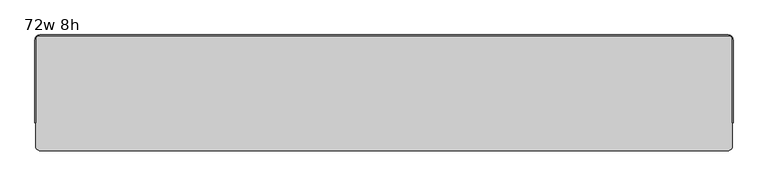
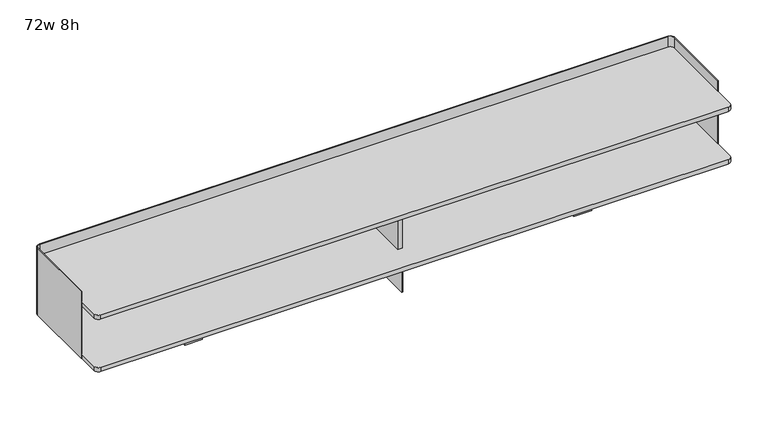
"""IFC4 building model written with IfcOpenShell, lengths in millimetres: furniture geometry, 72w 8h."""

from ifc_helpers import new_model, si_unit, point, frame, frame_2d, origin, place, context, project, spatial, polyline, circle_curve, trimmed, segment, composite_curve, outline, extrude, source, transform, mapped, element, save
from ifc_brep_helpers import plane_surface, cylinder_surface, revolved_surface, advanced_brep


def furniture_72w_8h_502b2b83(model_context):
    return source(origin(), model_context, "Body", "SolidModel", [
        extrude(outline(polyline([(6.35, 493.7125), (6.35, 265.1125), (-6.35, 265.1125), (-6.35, 493.7125), (6.35, 493.7125)])), frame((0.0, 0.0, 860.4250242), z_axis=(0.0, 0.0, 1.0), x_axis=(1.0, 0.0, 0.0)), (0.0, 0.0, 1.0), 146.637343),
        advanced_brep(
        [(-912.8125, 482.6, 1050.925), (-901.7, 493.7125, 1050.925), (901.7, 493.7125, 1050.925), (912.8125, 482.6, 1050.925), (912.8125, 265.1125, 1050.925), (914.4, 265.1125, 1050.925), (914.4, 482.6, 1050.925), (901.7, 495.3, 1050.925), (-901.7, 495.3, 1050.925), (-914.4, 482.6, 1050.925), (-914.4, 265.1125, 1050.925), (-912.8125, 265.1125, 1050.925), (-912.8125, 482.6, 847.725), (-912.8125, 265.1125, 847.725), (-914.4, 265.1125, 847.725), (-914.4, 482.6, 847.725), (-901.7, 495.3, 847.725), (901.7, 495.3, 847.725), (914.4, 482.6, 847.725), (914.4, 265.1125, 847.725), (912.8125, 265.1125, 847.725), (912.8125, 482.6, 847.725), (901.7, 493.7125, 847.725), (-901.7, 493.7125, 847.725), (880.3639961, 493.7125, 902.4144186), (880.3639961, 493.7125, 894.1593992), (372.3639961, 493.7125, 894.1593992), (372.3639961, 493.7125, 902.4144186), (880.3639961, 493.7125, 1004.0143944), (880.3639961, 493.7125, 995.759375), (372.3639961, 493.7125, 995.759375), (372.3639961, 493.7125, 1004.0143944), (880.3639961, 493.7125, 953.2144065), (880.3639961, 493.7125, 944.9593871), (372.3639961, 493.7125, 944.9593871), (372.3639961, 493.7125, 953.2144065), (-880.3639961, 493.7125, 894.1593992), (-880.3639961, 493.7125, 902.4144186), (-372.3639961, 493.7125, 902.4144186), (-372.3639961, 493.7125, 894.1593992), (-880.3639961, 493.7125, 995.759375), (-880.3639961, 493.7125, 1004.0143944), (-372.3639961, 493.7125, 1004.0143944), (-372.3639961, 493.7125, 995.759375), (-880.3639961, 493.7125, 944.9593871), (-880.3639961, 493.7125, 953.2144065), (-372.3639961, 493.7125, 953.2144065), (-372.3639961, 493.7125, 944.9593871), (880.3639961, 495.3, 894.1593992), (880.3639961, 495.3, 902.4144186), (372.3639961, 495.3, 902.4144186), (372.3639961, 495.3, 894.1593992), (880.3639961, 495.3, 995.759375), (880.3639961, 495.3, 1004.0143944), (372.3639961, 495.3, 1004.0143944), (372.3639961, 495.3, 995.759375), (880.3639961, 495.3, 944.9593871), (880.3639961, 495.3, 953.2144065), (372.3639961, 495.3, 953.2144065), (372.3639961, 495.3, 944.9593871), (-880.3639961, 495.3, 902.4144186), (-880.3639961, 495.3, 894.1593992), (-372.3639961, 495.3, 894.1593992), (-372.3639961, 495.3, 902.4144186), (-880.3639961, 495.3, 1004.0143944), (-880.3639961, 495.3, 995.759375), (-372.3639961, 495.3, 995.759375), (-372.3639961, 495.3, 1004.0143944), (-880.3639961, 495.3, 953.2144065), (-880.3639961, 495.3, 944.9593871), (-372.3639961, 495.3, 944.9593871), (-372.3639961, 495.3, 953.2144065)],
        [
            (0, 1, circle_curve(frame((-901.7, 482.6, 1050.925), z_axis=(0.0, 0.0, -1.0), x_axis=(1.0, 0.0, 0.0)), 11.1125)),
            (1, 2),
            (2, 3, circle_curve(frame((901.7, 482.6, 1050.925), z_axis=(0.0, 0.0, -1.0), x_axis=(1.0, 0.0, 0.0)), 11.1125)),
            (3, 4),
            (4, 5),
            (5, 6),
            (6, 7, circle_curve(frame((901.7, 482.6, 1050.925), z_axis=(0.0, 0.0, 1.0), x_axis=(1.0, 0.0, 0.0)), 12.7)),
            (7, 8),
            (8, 9, circle_curve(frame((-901.7, 482.6, 1050.925), z_axis=(0.0, 0.0, 1.0), x_axis=(1.0, 0.0, 0.0)), 12.7)),
            (9, 10),
            (10, 11),
            (11, 0),
            (12, 13),
            (13, 14),
            (14, 15),
            (15, 16, circle_curve(frame((-901.7, 482.6, 847.725), z_axis=(0.0, 0.0, -1.0), x_axis=(1.0, 0.0, 0.0)), 12.7)),
            (16, 17),
            (17, 18, circle_curve(frame((901.7, 482.6, 847.725), z_axis=(0.0, 0.0, -1.0), x_axis=(1.0, 0.0, 0.0)), 12.7)),
            (18, 19),
            (19, 20),
            (20, 21),
            (21, 22, circle_curve(frame((901.7, 482.6, 847.725), z_axis=(0.0, 0.0, 1.0), x_axis=(1.0, 0.0, 0.0)), 11.1125)),
            (22, 23),
            (23, 12, circle_curve(frame((-901.7, 482.6, 847.725), z_axis=(0.0, 0.0, 1.0), x_axis=(1.0, 0.0, 0.0)), 11.1125)),
            (0, 12),
            (23, 1),
            (22, 2),
            (24, 25),
            (25, 26),
            (26, 27),
            (27, 24),
            (28, 29),
            (29, 30),
            (30, 31),
            (31, 28),
            (32, 33),
            (33, 34),
            (34, 35),
            (35, 32),
            (36, 37),
            (37, 38),
            (38, 39),
            (39, 36),
            (40, 41),
            (41, 42),
            (42, 43),
            (43, 40),
            (44, 45),
            (45, 46),
            (46, 47),
            (47, 44),
            (7, 17),
            (16, 8),
            (48, 49),
            (49, 50),
            (50, 51),
            (51, 48),
            (52, 53),
            (53, 54),
            (54, 55),
            (55, 52),
            (56, 57),
            (57, 58),
            (58, 59),
            (59, 56),
            (60, 61),
            (61, 62),
            (62, 63),
            (63, 60),
            (64, 65),
            (65, 66),
            (66, 67),
            (67, 64),
            (68, 69),
            (69, 70),
            (70, 71),
            (71, 68),
            (15, 9),
            (14, 10),
            (13, 11),
            (21, 3),
            (20, 4),
            (19, 5),
            (18, 6),
            (24, 49),
            (48, 25),
            (51, 26),
            (50, 27),
            (28, 53),
            (52, 29),
            (55, 30),
            (54, 31),
            (32, 57),
            (56, 33),
            (59, 34),
            (58, 35),
            (36, 61),
            (60, 37),
            (39, 62),
            (38, 63),
            (40, 65),
            (64, 41),
            (43, 66),
            (42, 67),
            (44, 69),
            (68, 45),
            (47, 70),
            (46, 71),
        ],
        [
            plane_surface(frame((-890.5875, 482.6, 1050.925), z_axis=(0.0, 0.0, 1.0), x_axis=(0.0, -1.0, 0.0))),
            plane_surface(frame((-890.5875, 482.6, 847.725), z_axis=(0.0, 0.0, -1.0), x_axis=(0.0, 1.0, 0.0))),
            revolved_surface(polyline([(-890.5875000000001, 482.6, 847.725), (-890.5875000000001, 482.6, 1050.925)]), (-901.7, 482.6, 847.725), (0.0, 0.0, -1.0)),
            plane_surface(frame((-901.7, 493.7125, 1050.925), z_axis=(0.0, -1.0, 0.0), x_axis=(0.0, 0.0, -1.0))),
            plane_surface(frame((901.7, 495.3, 1050.925), z_axis=(0.0, 1.0, 0.0), x_axis=(0.0, 0.0, -1.0))),
            cylinder_surface(frame((-901.7, 482.6, 847.725), z_axis=(0.0, 0.0, 1.0), x_axis=(1.0, 0.0, 0.0)), 12.7),
            plane_surface(frame((-914.4, 482.6, 1050.925), z_axis=(-1.0, 0.0, 0.0), x_axis=(0.0, 0.0, -1.0))),
            plane_surface(frame((-914.4, 265.1125, 1050.925), z_axis=(0.0, -1.0, 0.0), x_axis=(0.0, 0.0, -1.0))),
            plane_surface(frame((-912.8125, 265.1125, 1050.925), z_axis=(1.0, 0.0, 0.0), x_axis=(0.0, 0.0, -1.0))),
            revolved_surface(polyline([(912.8125, 482.6, 847.725), (912.8125, 482.6, 1050.925)]), (901.7, 482.6, 847.725), (0.0, 0.0, -1.0)),
            plane_surface(frame((912.8125, 482.6, 1050.925), z_axis=(-1.0, 0.0, 0.0), x_axis=(0.0, 0.0, -1.0))),
            plane_surface(frame((912.8125, 265.1125, 1050.925), z_axis=(0.0, -1.0, 0.0), x_axis=(0.0, 0.0, -1.0))),
            plane_surface(frame((914.4, 265.1125, 1050.925), z_axis=(1.0, 0.0, 0.0), x_axis=(0.0, 0.0, -1.0))),
            cylinder_surface(frame((901.7, 482.6, 847.725), z_axis=(0.0, 0.0, 1.0), x_axis=(1.0, 0.0, 0.0)), 12.7),
            plane_surface(frame((880.3639961, 553.8218239, 902.4144186), z_axis=(-1.0, 0.0, 0.0), x_axis=(0.0, -1.0, 0.0))),
            plane_surface(frame((880.3639961, 553.8218239, 894.1593992), z_axis=(0.0, 0.0, 1.0), x_axis=(0.0, -1.0, 0.0))),
            plane_surface(frame((372.3639961, 553.8218239, 894.1593992), z_axis=(1.0, 0.0, 0.0), x_axis=(0.0, -1.0, 0.0))),
            plane_surface(frame((372.3639961, 553.8218239, 902.4144186), z_axis=(0.0, 0.0, -1.0), x_axis=(0.0, -1.0, 0.0))),
            plane_surface(frame((880.3639961, 553.8218239, 1004.0143944), z_axis=(-1.0, 0.0, 0.0), x_axis=(0.0, -1.0, 0.0))),
            plane_surface(frame((880.3639961, 553.8218239, 995.759375), z_axis=(0.0, 0.0, 1.0), x_axis=(0.0, -1.0, 0.0))),
            plane_surface(frame((372.3639961, 553.8218239, 995.759375), z_axis=(1.0, 0.0, 0.0), x_axis=(0.0, -1.0, 0.0))),
            plane_surface(frame((372.3639961, 553.8218239, 1004.0143944), z_axis=(0.0, 0.0, -1.0), x_axis=(0.0, -1.0, 0.0))),
            plane_surface(frame((880.3639961, 553.8218239, 953.2144065), z_axis=(-1.0, 0.0, 0.0), x_axis=(0.0, -1.0, 0.0))),
            plane_surface(frame((880.3639961, 553.8218239, 944.9593871), z_axis=(0.0, 0.0, 1.0), x_axis=(0.0, -1.0, 0.0))),
            plane_surface(frame((372.3639961, 553.8218239, 944.9593871), z_axis=(1.0, 0.0, 0.0), x_axis=(0.0, -1.0, 0.0))),
            plane_surface(frame((372.3639961, 553.8218239, 953.2144065), z_axis=(0.0, 0.0, -1.0), x_axis=(0.0, -1.0, 0.0))),
            plane_surface(frame((-880.3639961, 553.8218239, 894.1593992), z_axis=(1.0, 0.0, 0.0), x_axis=(0.0, -1.0, 0.0))),
            plane_surface(frame((-372.3639961, 553.8218239, 894.1593992), z_axis=(0.0, 0.0, 1.0), x_axis=(0.0, -1.0, 0.0))),
            plane_surface(frame((-372.3639961, 553.8218239, 902.4144186), z_axis=(-1.0, 0.0, 0.0), x_axis=(0.0, -1.0, 0.0))),
            plane_surface(frame((-880.3639961, 553.8218239, 902.4144186), z_axis=(0.0, 0.0, -1.0), x_axis=(0.0, -1.0, 0.0))),
            plane_surface(frame((-880.3639961, 553.8218239, 995.759375), z_axis=(1.0, 0.0, 0.0), x_axis=(0.0, -1.0, 0.0))),
            plane_surface(frame((-372.3639961, 553.8218239, 995.759375), z_axis=(0.0, 0.0, 1.0), x_axis=(0.0, -1.0, 0.0))),
            plane_surface(frame((-372.3639961, 553.8218239, 1004.0143944), z_axis=(-1.0, 0.0, 0.0), x_axis=(0.0, -1.0, 0.0))),
            plane_surface(frame((-880.3639961, 553.8218239, 1004.0143944), z_axis=(0.0, 0.0, -1.0), x_axis=(0.0, -1.0, 0.0))),
            plane_surface(frame((-880.3639961, 553.8218239, 944.9593871), z_axis=(1.0, 0.0, 0.0), x_axis=(0.0, -1.0, 0.0))),
            plane_surface(frame((-372.3639961, 553.8218239, 944.9593871), z_axis=(0.0, 0.0, 1.0), x_axis=(0.0, -1.0, 0.0))),
            plane_surface(frame((-372.3639961, 553.8218239, 953.2144065), z_axis=(-1.0, 0.0, 0.0), x_axis=(0.0, -1.0, 0.0))),
            plane_surface(frame((-880.3639961, 553.8218239, 953.2144065), z_axis=(0.0, 0.0, -1.0), x_axis=(0.0, -1.0, 0.0))),
        ],
        [
            (0, [[1, 2, 3, 4, 5, 6, 7, 8, 9, 10, 11, 12]]),
            (1, [[13, 14, 15, 16, 17, 18, 19, 20, 21, 22, 23, 24]]),
            (2, [[-1, 25, -24, 26]]),
            (3, [[-2, -26, -23, 27], [28, 29, 30, 31], [32, 33, 34, 35], [36, 37, 38, 39], [40, 41, 42, 43], [44, 45, 46, 47], [48, 49, 50, 51]]),
            (4, [[-8, 52, -17, 53], [54, 55, 56, 57], [58, 59, 60, 61], [62, 63, 64, 65], [66, 67, 68, 69], [70, 71, 72, 73], [74, 75, 76, 77]]),
            (5, [[-9, -53, -16, 78]]),
            (6, [[-10, -78, -15, 79]]),
            (7, [[-11, -79, -14, 80]]),
            (8, [[-12, -80, -13, -25]]),
            (9, [[-3, -27, -22, 81]]),
            (10, [[-4, -81, -21, 82]]),
            (11, [[-5, -82, -20, 83]]),
            (12, [[-6, -83, -19, 84]]),
            (13, [[-7, -84, -18, -52]]),
            (14, [[85, -54, 86, -28]]),
            (15, [[-86, -57, 87, -29]]),
            (16, [[-87, -56, 88, -30]]),
            (17, [[-85, -31, -88, -55]]),
            (18, [[89, -58, 90, -32]]),
            (19, [[-90, -61, 91, -33]]),
            (20, [[-91, -60, 92, -34]]),
            (21, [[-89, -35, -92, -59]]),
            (22, [[93, -62, 94, -36]]),
            (23, [[-94, -65, 95, -37]]),
            (24, [[-95, -64, 96, -38]]),
            (25, [[-93, -39, -96, -63]]),
            (26, [[97, -66, 98, -40]]),
            (27, [[-97, -43, 99, -67]]),
            (28, [[-99, -42, 100, -68]]),
            (29, [[-100, -41, -98, -69]]),
            (30, [[101, -70, 102, -44]]),
            (31, [[-101, -47, 103, -71]]),
            (32, [[-103, -46, 104, -72]]),
            (33, [[-104, -45, -102, -73]]),
            (34, [[105, -74, 106, -48]]),
            (35, [[-105, -51, 107, -75]]),
            (36, [[-107, -50, 108, -76]]),
            (37, [[-108, -49, -106, -77]]),
        ],
    ),
        extrude(outline(polyline([(-533.4, 361.95), (-533.4, 323.453125), (-584.2, 323.453125), (-584.2, 361.95), (-533.4, 361.95)])), frame((0.0, 0.0, 736.6), z_axis=(0.0, 0.0, 1.0), x_axis=(1.0, 0.0, 0.0)), (0.0, 0.0, 1.0), 111.125),
        extrude(outline(polyline([(533.4, 361.95), (584.2, 361.95), (584.2, 323.453125), (533.4, 323.453125), (533.4, 361.95)])), frame((0.0, 0.0, 736.6), z_axis=(0.0, 0.0, 1.0), x_axis=(1.0, 0.0, 0.0)), (0.0, 0.0, 1.0), 111.125),
        extrude(outline(polyline([(1.5875, 433.3841935), (1.5875, 252.4158065), (-1.5875, 252.4158065), (-1.5875, 433.3841935), (1.5875, 433.3841935)])), frame((0.0, 0.0, 736.6), z_axis=(0.0, 0.0, 1.0), x_axis=(1.0, 0.0, 0.0)), (0.0, 0.0, 1.0), 111.125),
        extrude(outline(composite_curve([segment(trimmed(circle_curve(frame_2d((900.1125, 481.0125)), 12.7), [point((900.1125, 493.7125))], [point((912.8125, 481.0125))], False, "CARTESIAN"), True, "CONTINUOUS"), segment(polyline([(912.8125, 481.0125), (912.8125, 204.7875)]), True, "CONTINUOUS"), segment(trimmed(circle_curve(frame_2d((900.1125, 204.7875)), 12.7), [point((912.8125, 204.7875))], [point((900.1125, 192.0875))], False, "CARTESIAN"), True, "CONTINUOUS"), segment(polyline([(900.1125, 192.0875), (-900.1125, 192.0875)]), True, "CONTINUOUS"), segment(trimmed(circle_curve(frame_2d((-900.1125, 204.7875)), 12.7), [point((-900.1125, 192.0875))], [point((-912.8125, 204.7875))], False, "CARTESIAN"), True, "CONTINUOUS"), segment(polyline([(-912.8125, 204.7875), (-912.8125, 481.0125)]), True, "CONTINUOUS"), segment(trimmed(circle_curve(frame_2d((-900.1125, 481.0125)), 12.7), [point((-912.8125, 481.0125))], [point((-900.1125, 493.7125))], False, "CARTESIAN"), True, "CONTINUOUS"), segment(polyline([(-900.1125, 493.7125), (900.1125, 493.7125)]), True, "CONTINUOUS")], self_intersect=False)), frame((0.0, 0.0, 1007.0623672), z_axis=(0.0, 0.0, 1.0), x_axis=(1.0, 0.0, 0.0)), (0.0, 0.0, 1.0), 12.7000242),
        extrude(outline(composite_curve([segment(trimmed(circle_curve(frame_2d((900.1125, 481.0125)), 12.7), [point((900.1125, 493.7125))], [point((912.8125, 481.0125))], False, "CARTESIAN"), True, "CONTINUOUS"), segment(polyline([(912.8125, 481.0125), (912.8125, 204.7875)]), True, "CONTINUOUS"), segment(trimmed(circle_curve(frame_2d((900.1125, 204.7875)), 12.7), [point((912.8125, 204.7875))], [point((900.1125, 192.0875))], False, "CARTESIAN"), True, "CONTINUOUS"), segment(polyline([(900.1125, 192.0875), (-900.1125, 192.0875)]), True, "CONTINUOUS"), segment(trimmed(circle_curve(frame_2d((-900.1125, 204.7875)), 12.7), [point((-900.1125, 192.0875))], [point((-912.8125, 204.7875))], False, "CARTESIAN"), True, "CONTINUOUS"), segment(polyline([(-912.8125, 204.7875), (-912.8125, 481.0125)]), True, "CONTINUOUS"), segment(trimmed(circle_curve(frame_2d((-900.1125, 481.0125)), 12.7), [point((-912.8125, 481.0125))], [point((-900.1125, 493.7125))], False, "CARTESIAN"), True, "CONTINUOUS"), segment(polyline([(-900.1125, 493.7125), (900.1125, 493.7125)]), True, "CONTINUOUS")], self_intersect=False)), frame((0.0, 0.0, 847.725), z_axis=(0.0, 0.0, 1.0), x_axis=(1.0, 0.0, 0.0)), (0.0, 0.0, 1.0), 12.7000242),
    ])


if __name__ == "__main__":
    model = new_model("IFC4")
    model_context = context("Model", 3, world=origin())
    ifc_project = project(units=[si_unit("LENGTHUNIT", "METRE", prefix="MILLI")], contexts=[model_context])
    site = spatial("IfcSite", under=ifc_project)
    building = spatial("IfcBuilding", under=site)
    placement = place(None, origin())
    furniture_72w_8h_shape = furniture_72w_8h_502b2b83(model_context)
    element("IfcFurniture", 1, ObjectType="72w 8h", at=placement, inside=building, context=model_context, shape_type="MappedRepresentation", body=[
        mapped(furniture_72w_8h_shape, transform((0.0, 0.0, 0.0), x_axis=(1.0, 0.0, 0.0), y_axis=(0.0, 1.0, 0.0), z_axis=(0.0, 0.0, 1.0))),
    ])
    save(model, "model.ifc")
